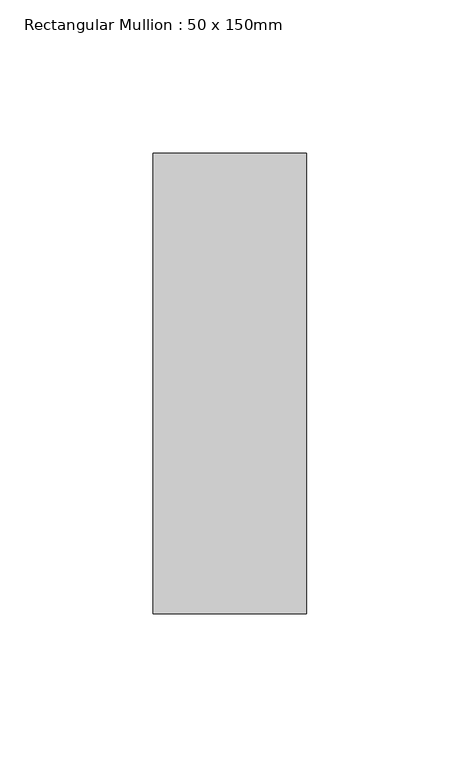
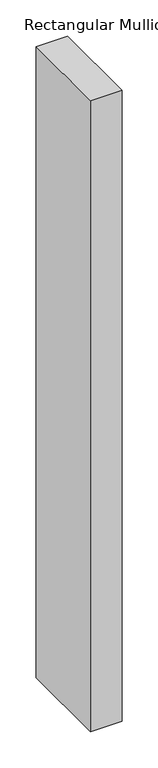
"""IFC4 building model written with IfcOpenShell, lengths in millimetres: member geometry, Rectangular Mullion : 50 x 150mm."""

from ifc_helpers import new_model, si_unit, frame, origin, place, context, project, spatial, polyline, outline, extrude, source, transform, mapped, element, save


def rectangular_mullion_50_x_150mm_b2f1eb9f(model_context):
    return source(origin(), model_context, "Body", "SweptSolid", [
        extrude(outline(polyline([(25.0, 75.0), (25.0, -75.0), (-25.0, -75.0), (-25.0, 75.0), (25.0, 75.0)])), frame((0.0, 0.0, -1062.1494736), z_axis=(0.0, 0.0, 1.0), x_axis=(1.0, 0.0, 0.0)), (0.0, 0.0, 1.0), 1062.1494736),
    ])


if __name__ == "__main__":
    model = new_model("IFC4")
    model_context = context("Model", 3, world=origin())
    ifc_project = project(units=[si_unit("LENGTHUNIT", "METRE", prefix="MILLI")], contexts=[model_context])
    site = spatial("IfcSite", under=ifc_project)
    building = spatial("IfcBuilding", under=site)
    placement = place(None, origin())
    rectangular_mullion_50_x_150mm_shape = rectangular_mullion_50_x_150mm_b2f1eb9f(model_context)
    element("IfcMember", 1, ObjectType="Rectangular Mullion : 50 x 150mm", at=placement, inside=building, context=model_context, shape_type="MappedRepresentation", body=[
        mapped(rectangular_mullion_50_x_150mm_shape, transform((0.0, 0.0, 0.0), x_axis=(1.0, 0.0, 0.0), y_axis=(0.0, 1.0, 0.0), z_axis=(0.0, 0.0, 1.0))),
    ])
    save(model, "model.ifc")
